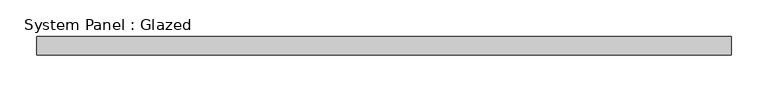
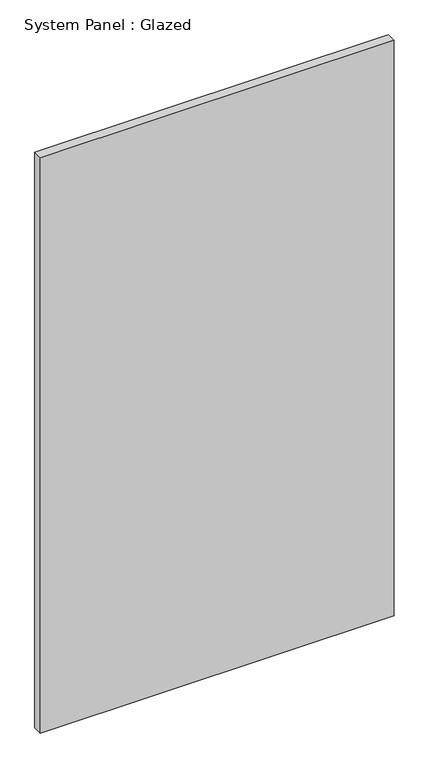
"""IFC4 building model written with IfcOpenShell, lengths in millimetres: plate geometry, System Panel : Glazed."""

from ifc_helpers import new_model, si_unit, origin, origin_with_axes, place, context, project, spatial, polyline, outline, extrude, source, transform, mapped, element, save


def system_panel_glazed_4cf70075(model_context):
    return source(origin(), model_context, "Body", "SweptSolid", [
        extrude(outline(polyline([(472.7575, -12.7), (-472.7575, -12.7), (-472.7575, 12.7), (472.7575, 12.7), (472.7575, -12.7)])), origin_with_axes(), (0.0, 0.0, 1.0), 1625.6),
    ])


if __name__ == "__main__":
    model = new_model("IFC4")
    model_context = context("Model", 3, world=origin())
    ifc_project = project(units=[si_unit("LENGTHUNIT", "METRE", prefix="MILLI")], contexts=[model_context])
    site = spatial("IfcSite", under=ifc_project)
    building = spatial("IfcBuilding", under=site)
    placement = place(None, origin())
    system_panel_glazed_shape = system_panel_glazed_4cf70075(model_context)
    element("IfcPlate", 1, ObjectType="System Panel : Glazed", at=placement, inside=building, context=model_context, shape_type="MappedRepresentation", body=[
        mapped(system_panel_glazed_shape, transform((0.0, 0.0, 0.0), x_axis=(1.0, 0.0, 0.0), y_axis=(0.0, 1.0, 0.0), z_axis=(0.0, 0.0, 1.0))),
    ])
    save(model, "model.ifc")
